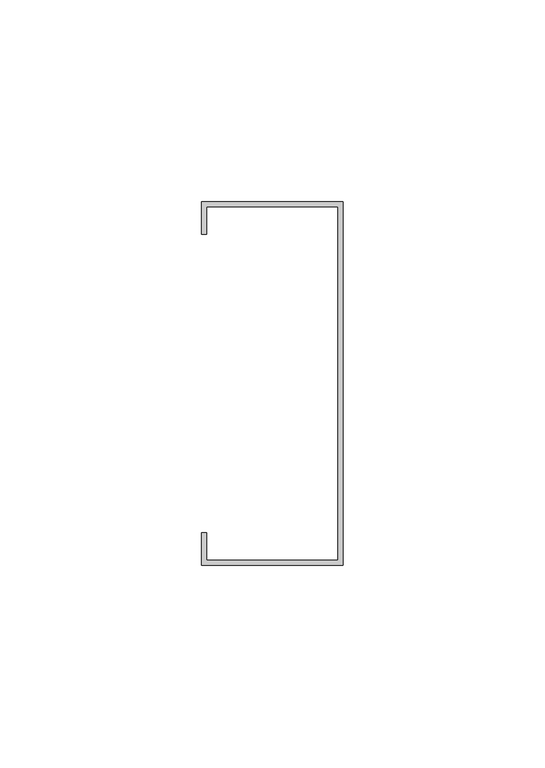
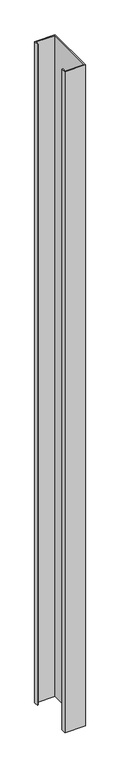
"""IFC4 building model written with IfcOpenShell, lengths in millimetres: proxy geometry."""

from ifc_helpers import new_model, si_unit, origin, origin_with_axes, place, context, project, spatial, polyline, outline, extrude, source, transform, mapped, element, save


def generic_models_00019523(model_context):
    return source(origin(), model_context, "Body", "SweptSolid", [
        extrude(outline(polyline([(17.5, 45.0), (17.5, -45.0), (-17.5, -45.0), (-17.5, -36.961271), (-16.3, -36.961271), (-16.3, -43.8167207), (16.3, -43.8167207), (16.3, 43.8), (-16.3, 43.8), (-16.3, 36.9908822), (-17.5, 36.9908822), (-17.5, 45.0), (17.5, 45.0)])), origin_with_axes(), (0.0, 0.0, 1.0), 1200.0),
    ])


if __name__ == "__main__":
    model = new_model("IFC4")
    model_context = context("Model", 3, world=origin())
    ifc_project = project(units=[si_unit("LENGTHUNIT", "METRE", prefix="MILLI")], contexts=[model_context])
    site = spatial("IfcSite", under=ifc_project)
    building = spatial("IfcBuilding", under=site)
    placement = place(None, origin())
    generic_models_shape = generic_models_00019523(model_context)
    element("IfcBuildingElementProxy", 1, Name="Generic Models", at=placement, inside=building, context=model_context, shape_type="MappedRepresentation", body=[
        mapped(generic_models_shape, transform((0.0, 0.0, 0.0), x_axis=(1.0, 0.0, 0.0), y_axis=(0.0, 1.0, 0.0), z_axis=(0.0, 0.0, 1.0))),
    ])
    save(model, "model.ifc")
